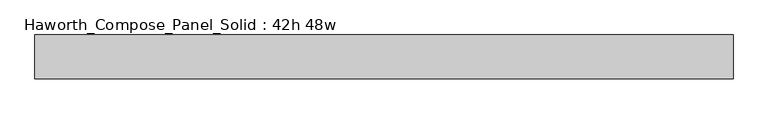
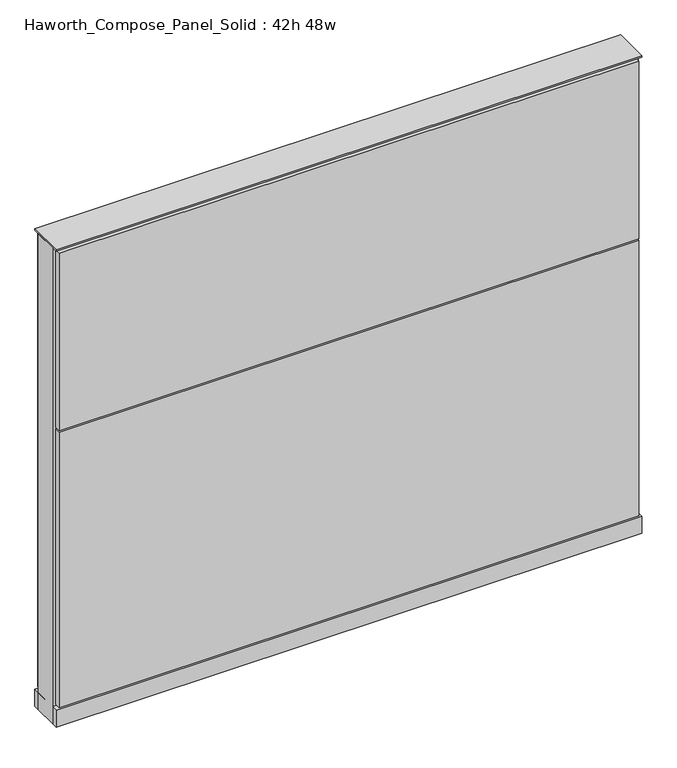
"""IFC4 building model written with IfcOpenShell, lengths in millimetres: furniture geometry, Haworth_Compose_Panel_Solid : 42h 48w."""

from ifc_helpers import new_model, si_unit, point, frame, frame_2d, origin, origin_with_axes, place, context, project, spatial, polyline, circle_curve, trimmed, segment, composite_curve, outline, extrude, source, transform, mapped, element, save


def haworth_compose_panel_solid_42h_48w_9a02dad4(model_context):
    return source(origin(), model_context, "Body", "SweptSolid", [
        extrude(outline(composite_curve([segment(trimmed(circle_curve(frame_2d((-530.9597098, 0.0)), 12.7), [point((-543.6597098, 0.0))], [point((-518.2597098, 0.0))], False, "CARTESIAN"), True, "CONTINUOUS"), segment(trimmed(circle_curve(frame_2d((-530.9597098, 0.0)), 12.7), [point((-518.2597098, 0.0))], [point((-543.6597098, 0.0))], False, "CARTESIAN"), True, "CONTINUOUS")], self_intersect=False)), origin_with_axes(), (0.0, 0.0, 1.0), 12.7),
        extrude(outline(composite_curve([segment(trimmed(circle_curve(frame_2d((535.8402902, 0.0)), 12.7), [point((523.1402902, 0.0))], [point((548.5402902, 0.0))], False, "CARTESIAN"), True, "CONTINUOUS"), segment(trimmed(circle_curve(frame_2d((535.8402902, 0.0)), 12.7), [point((548.5402902, 0.0))], [point((523.1402902, 0.0))], False, "CARTESIAN"), True, "CONTINUOUS")], self_intersect=False)), origin_with_axes(), (0.0, 0.0, 1.0), 12.7),
        extrude(outline(polyline([(605.6902902, 38.1), (605.6902902, 25.4), (-600.8097098, 25.4), (-600.8097098, 38.1), (605.6902902, 38.1)])), frame((0.0, 0.0, 53.975), z_axis=(0.0, 0.0, 1.0), x_axis=(1.0, 0.0, 0.0)), (0.0, 0.0, 1.0), 1000.125),
        extrude(outline(polyline([(605.6902902, -38.1), (-600.8097098, -38.1), (-600.8097098, -25.4), (605.6902902, -25.4), (605.6902902, -38.1)])), frame((0.0, 0.0, 663.575), z_axis=(0.0, 0.0, 1.0), x_axis=(1.0, 0.0, 0.0)), (0.0, 0.0, 1.0), 390.525),
        extrude(outline(polyline([(605.6902902, -38.1), (-600.8097098, -38.1), (-600.8097098, -25.4), (605.6902902, -25.4), (605.6902902, -38.1)])), frame((0.0, 0.0, 53.975), z_axis=(0.0, 0.0, 1.0), x_axis=(1.0, 0.0, 0.0)), (0.0, 0.0, 1.0), 606.425),
        extrude(outline(polyline([(612.0402902, 25.4), (612.0402902, -25.4), (-607.1597098, -25.4), (-607.1597098, 25.4), (612.0402902, 25.4)])), frame((0.0, 0.0, 12.7), z_axis=(0.0, 0.0, 1.0), x_axis=(1.0, 0.0, 0.0)), (0.0, 0.0, 1.0), 1047.75),
        extrude(outline(polyline([(-607.1597098, -38.1), (-607.1597098, 38.1), (612.0402902, 38.1), (612.0402902, -38.1), (-607.1597098, -38.1)])), frame((0.0, 0.0, 12.7), z_axis=(0.0, 0.0, 1.0), x_axis=(1.0, 0.0, 0.0)), (0.0, 0.0, 1.0), 38.1),
        extrude(outline(polyline([(-607.1597098, -38.1), (-607.1597098, 38.1), (612.0402902, 38.1), (612.0402902, -38.1), (-607.1597098, -38.1)])), frame((0.0, 0.0, 1060.45), z_axis=(0.0, 0.0, 1.0), x_axis=(1.0, 0.0, 0.0)), (0.0, 0.0, 1.0), 3.175),
    ])


if __name__ == "__main__":
    model = new_model("IFC4")
    model_context = context("Model", 3, world=origin())
    ifc_project = project(units=[si_unit("LENGTHUNIT", "METRE", prefix="MILLI")], contexts=[model_context])
    site = spatial("IfcSite", under=ifc_project)
    building = spatial("IfcBuilding", under=site)
    placement = place(None, origin())
    haworth_compose_panel_solid_42h_48w_shape = haworth_compose_panel_solid_42h_48w_9a02dad4(model_context)
    element("IfcFurniture", 1, ObjectType="Haworth_Compose_Panel_Solid : 42h 48w", at=placement, inside=building, context=model_context, shape_type="MappedRepresentation", body=[
        mapped(haworth_compose_panel_solid_42h_48w_shape, transform((0.0, 0.0, 0.0), x_axis=(1.0, 0.0, 0.0), y_axis=(0.0, 1.0, 0.0), z_axis=(0.0, 0.0, 1.0))),
    ])
    save(model, "model.ifc")
